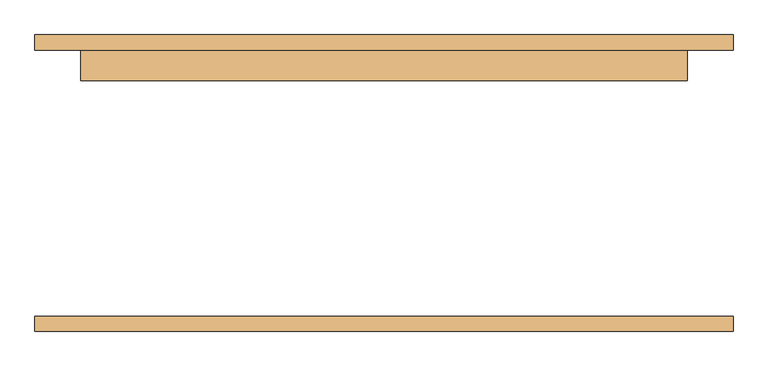
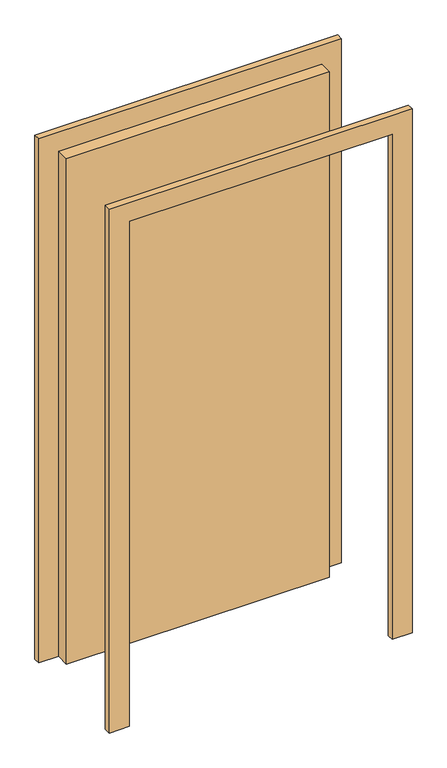
"""IFC4 building model written with IfcOpenShell, lengths in millimetres: door geometry."""

from ifc_helpers import new_model, si_unit, frame, origin, origin_with_axes, place, context, project, spatial, polyline, outline, extrude, source, transform, mapped, element, save


def door_d1423440(model_context):
    return source(origin(), model_context, "Body", "SweptSolid", [
        extrude(outline(polyline([(2108.0, -576.0), (0.0, -576.0), (0.0, -500.0), (2032.0, -500.0), (2032.0, 500.0), (0.0, 500.0), (0.0, 576.0), (2108.0, 576.0), (2108.0, -576.0)])), frame((0.0, 220.0, 0.0), z_axis=(0.0, 1.0, 0.0), x_axis=(0.0, 0.0, 1.0)), (0.0, 0.0, 1.0), 25.0),
        extrude(outline(polyline([(2108.0, 576.0), (2108.0, -576.0), (0.0, -576.0), (0.0, -500.0), (2032.0, -500.0), (2032.0, 500.0), (0.0, 500.0), (0.0, 576.0), (2108.0, 576.0)])), frame((0.0, -245.0, 0.0), z_axis=(0.0, 1.0, 0.0), x_axis=(0.0, 0.0, 1.0)), (0.0, 0.0, 1.0), 25.0),
        extrude(outline(polyline([(500.0, 169.0), (-500.0, 169.0), (-500.0, 220.0), (500.0, 220.0), (500.0, 169.0)])), origin_with_axes(), (0.0, 0.0, 1.0), 2032.0),
    ])


if __name__ == "__main__":
    model = new_model("IFC4")
    model_context = context("Model", 3, world=origin())
    ifc_project = project(units=[si_unit("LENGTHUNIT", "METRE", prefix="MILLI")], contexts=[model_context])
    site = spatial("IfcSite", under=ifc_project)
    building = spatial("IfcBuilding", under=site)
    placement = place(None, origin())
    door_shape = door_d1423440(model_context)
    element("IfcDoor", 1, at=placement, inside=building, context=model_context, shape_type="MappedRepresentation", body=[
        mapped(door_shape, transform((0.0, 0.0, 0.0), x_axis=(1.0, 0.0, 0.0), y_axis=(0.0, 1.0, 0.0), z_axis=(0.0, 0.0, 1.0))),
    ])
    save(model, "model.ifc")
